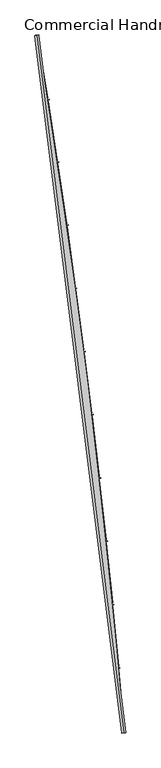
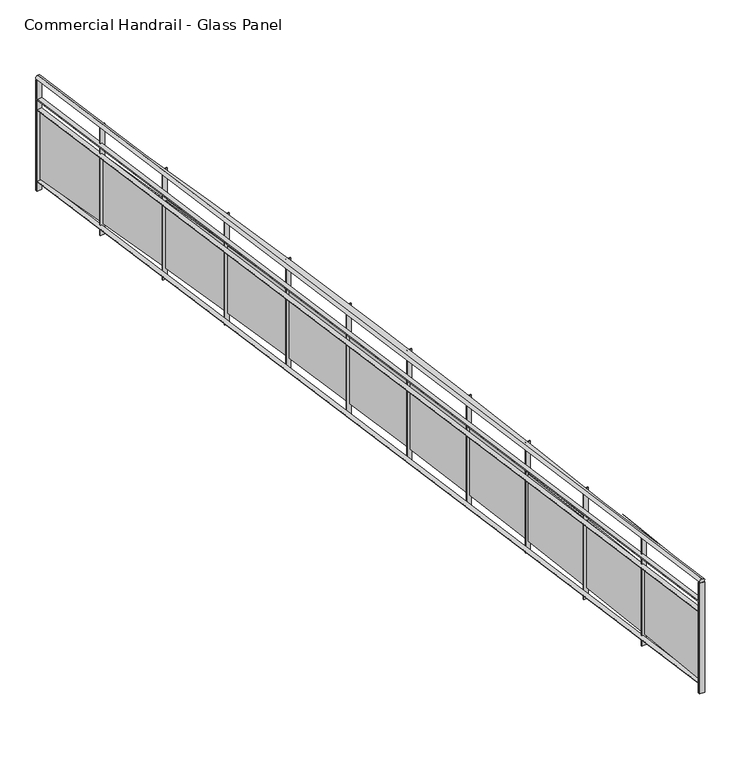
"""IFC4 building model written with IfcOpenShell, lengths in millimetres: railing geometry, Commercial Handrail - Glass Panel."""

from ifc_helpers import new_model, si_unit, point, frame, origin, place, context, project, spatial, polyline, circle_curve, ellipse_curve, trimmed, outline, extrude, source, transform, mapped, element, save
from ifc_brep_helpers import plane_surface, cylinder_surface, revolved_surface, advanced_brep


def commercial_handrail_glass_panel_2b7e91e8(model_context):
    return source(origin(), model_context, "Body", "SolidModel", [
        advanced_brep(
        [(155415.1518736, -49813.1101198, 26482.5), (156507.3198577, -58575.9102119, 26482.5), (156507.3198577, -58575.9102119, 26517.5), (155415.1518736, -49813.1101198, 26517.5)],
        [
            (0, 1, circle_curve(frame((49774.785812, -67429.2570352, 26482.5), z_axis=(0.0, 0.0, -1.0), x_axis=(0.9965773914870409, 0.08266500333808188, 0.0)), 107099.0923108)),
            (1, 2, ellipse_curve(frame((156507.3198577, -58575.9102119, 26500.0), z_axis=(-0.08266500333808835, 0.9965773914870406, 0.0), x_axis=(0.9965773914870404, 0.08266500333808834, 0.0)), 25.0, 17.5)),
            (2, 3, circle_curve(frame((49774.785812, -67429.2570352, 26517.5), z_axis=(0.0, 0.0, 1.0), x_axis=(0.9965773914870409, 0.08266500333808188, 0.0)), 107099.0923108)),
            (3, 0, ellipse_curve(frame((155415.1518736, -49813.1101198, 26500.0), z_axis=(0.1644845585089198, -0.9863796581500077, 0.0), x_axis=(0.9863796581500075, 0.16448455850891977, 0.0)), 25.0, 17.5)),
            (2, 1, ellipse_curve(frame((156507.3198577, -58575.9102119, 26500.0), z_axis=(-0.08266500333808835, 0.9965773914870406, 0.0), x_axis=(0.9965773914870404, 0.08266500333808834, 0.0)), 25.0, 17.5)),
            (0, 3, ellipse_curve(frame((155415.1518736, -49813.1101198, 26500.0), z_axis=(0.1644845585089198, -0.9863796581500077, 0.0), x_axis=(0.9863796581500075, 0.16448455850891977, 0.0)), 25.0, 17.5)),
        ],
        [
            revolved_surface(trimmed(ellipse_curve(frame((156507.3198577, -58575.9102119, 26500.0), z_axis=(0.08266500333808188, -0.9965773914870409, 0.0), x_axis=(0.0, 0.0, -1.0)), 17.5, 25.0), [point((156507.3198577, -58575.9102119, 26517.5))], [point((156507.3198577, -58575.9102119, 26482.5))], True, "CARTESIAN"), (49774.785812, -67429.2570352, 26500.0), (0.0, 0.0, 1.0)),
            revolved_surface(trimmed(ellipse_curve(frame((156507.3198577, -58575.9102119, 26500.0), z_axis=(0.08266500333808188, -0.9965773914870409, 0.0), x_axis=(0.0, 0.0, -1.0)), 17.5, 25.0), [point((156507.3198577, -58575.9102119, 26482.5))], [point((156507.3198577, -58575.9102119, 26517.5))], True, "CARTESIAN"), (49774.785812, -67429.2570352, 26500.0), (0.0, 0.0, 1.0)),
            plane_surface(frame((156507.3198577, -58575.9102119, 26500.0), z_axis=(0.08266500333808188, -0.9965773914870409, 0.0), x_axis=(0.9965773914870409, 0.08266500333808188, 0.0))),
            plane_surface(frame((155415.1518736, -49813.1101198, 26500.0), z_axis=(-0.16448455850891983, 0.9863796581500076, 0.0), x_axis=(0.9863796581500076, 0.16448455850891983, 0.0))),
        ],
        [
            (0, [[1, 2, 3, 4]]),
            (1, [[-3, 5, -1, 6]]),
            (2, [[-2, -5]]),
            (3, [[-6, -4]]),
        ],
    ),
        advanced_brep(
        [(155392.9583313, -49816.8110224, 26300.0), (156484.8968663, -58577.7701744, 26300.0), (156529.742849, -58574.0502493, 26300.0), (155437.3454159, -49809.4092172, 26300.0), (155392.9583313, -49816.8110224, 26294.0), (156484.8968663, -58577.7701744, 26294.0), (155437.3454159, -49809.4092172, 26294.0), (156529.742849, -58574.0502493, 26294.0)],
        [
            (0, 1, circle_curve(frame((49774.785812, -67429.2570352, 26300.0), z_axis=(0.0, 0.0, -1.0), x_axis=(0.9965773914870409, 0.08266500333808188, 0.0)), 107076.5923108)),
            (1, 2),
            (2, 3, circle_curve(frame((49774.785812, -67429.2570352, 26300.0), z_axis=(0.0, 0.0, 1.0), x_axis=(0.9965773914870409, 0.08266500333808188, 0.0)), 107121.5923108)),
            (3, 0),
            (4, 5, circle_curve(frame((49774.785812, -67429.2570352, 26294.0), z_axis=(0.0, 0.0, -1.0), x_axis=(0.9965773914870409, 0.08266500333808188, 0.0)), 107076.5923108)),
            (5, 1),
            (0, 4),
            (6, 7, circle_curve(frame((49774.785812, -67429.2570352, 26294.0), z_axis=(0.0, 0.0, -1.0), x_axis=(0.9965773914870409, 0.08266500333808188, 0.0)), 107121.5923108)),
            (7, 5),
            (4, 6),
            (2, 7),
            (6, 3),
        ],
        [
            plane_surface(frame((49774.785812, -67429.2570352, 26300.0), z_axis=(0.0, 0.0, 1.0), x_axis=(0.9965773914870409, 0.08266500333808188, 0.0))),
            revolved_surface(polyline([(156484.89686641842, -58577.77017439729, 26300.0), (156484.89686641842, -58577.77017439729, 26294.0)]), (49774.785812, -67429.2570352, 26300.0), (0.0, 0.0, 1.0)),
            plane_surface(frame((49774.785812, -67429.2570352, 26294.0), z_axis=(0.0, 0.0, -1.0), x_axis=(0.9965773914870409, 0.08266500333808188, 0.0))),
            cylinder_surface(frame((49774.785812, -67429.2570352, 26300.0), z_axis=(0.0, 0.0, 1.0), x_axis=(0.9965773914870409, 0.08266500333808188, 0.0)), 107121.5923108),
            plane_surface(frame((156507.3198577, -58575.9102119, 26300.0), z_axis=(0.08266500333808188, -0.9965773914870409, 0.0), x_axis=(0.9965773914870409, 0.08266500333808188, 0.0))),
            plane_surface(frame((155415.1518736, -49813.1101198, 26300.0), z_axis=(-0.16448455850891983, 0.9863796581500076, 0.0), x_axis=(0.9863796581500076, 0.16448455850891983, 0.0))),
        ],
        [
            (0, [[1, 2, 3, 4]]),
            (1, [[5, 6, -1, 7]]),
            (2, [[8, 9, -5, 10]]),
            (3, [[-3, 11, -8, 12]]),
            (4, [[-2, -6, -9, -11]]),
            (5, [[-12, -10, -7, -4]]),
        ],
    ),
        advanced_brep(
        [(155392.9583313, -49816.8110224, 26200.0), (156484.8968663, -58577.7701744, 26200.0), (156529.742849, -58574.0502493, 26200.0), (155437.3454159, -49809.4092172, 26200.0), (155392.9583313, -49816.8110224, 26194.0), (156484.8968663, -58577.7701744, 26194.0), (155437.3454159, -49809.4092172, 26194.0), (156529.742849, -58574.0502493, 26194.0)],
        [
            (0, 1, circle_curve(frame((49774.785812, -67429.2570352, 26200.0), z_axis=(0.0, 0.0, -1.0), x_axis=(0.9965773914870409, 0.08266500333808188, 0.0)), 107076.5923108)),
            (1, 2),
            (2, 3, circle_curve(frame((49774.785812, -67429.2570352, 26200.0), z_axis=(0.0, 0.0, 1.0), x_axis=(0.9965773914870409, 0.08266500333808188, 0.0)), 107121.5923108)),
            (3, 0),
            (4, 5, circle_curve(frame((49774.785812, -67429.2570352, 26194.0), z_axis=(0.0, 0.0, -1.0), x_axis=(0.9965773914870409, 0.08266500333808188, 0.0)), 107076.5923108)),
            (5, 1),
            (0, 4),
            (6, 7, circle_curve(frame((49774.785812, -67429.2570352, 26194.0), z_axis=(0.0, 0.0, -1.0), x_axis=(0.9965773914870409, 0.08266500333808188, 0.0)), 107121.5923108)),
            (7, 5),
            (4, 6),
            (2, 7),
            (6, 3),
        ],
        [
            plane_surface(frame((49774.785812, -67429.2570352, 26200.0), z_axis=(0.0, 0.0, 1.0), x_axis=(0.9965773914870409, 0.08266500333808188, 0.0))),
            revolved_surface(polyline([(156484.89686641842, -58577.77017439729, 26200.0), (156484.89686641842, -58577.77017439729, 26194.0)]), (49774.785812, -67429.2570352, 26200.0), (0.0, 0.0, 1.0)),
            plane_surface(frame((49774.785812, -67429.2570352, 26194.0), z_axis=(0.0, 0.0, -1.0), x_axis=(0.9965773914870409, 0.08266500333808188, 0.0))),
            cylinder_surface(frame((49774.785812, -67429.2570352, 26200.0), z_axis=(0.0, 0.0, 1.0), x_axis=(0.9965773914870409, 0.08266500333808188, 0.0)), 107121.5923108),
            plane_surface(frame((156507.3198577, -58575.9102119, 26200.0), z_axis=(0.08266500333808188, -0.9965773914870409, 0.0), x_axis=(0.9965773914870409, 0.08266500333808188, 0.0))),
            plane_surface(frame((155415.1518736, -49813.1101198, 26200.0), z_axis=(-0.16448455850891983, 0.9863796581500076, 0.0), x_axis=(0.9863796581500076, 0.16448455850891983, 0.0))),
        ],
        [
            (0, [[1, 2, 3, 4]]),
            (1, [[5, 6, -1, 7]]),
            (2, [[8, 9, -5, 10]]),
            (3, [[-3, 11, -8, 12]]),
            (4, [[-2, -6, -9, -11]]),
            (5, [[-12, -10, -7, -4]]),
        ],
    ),
        advanced_brep(
        [(155392.9583313, -49816.8110224, 25500.0), (156484.8968663, -58577.7701744, 25500.0), (156529.742849, -58574.0502493, 25500.0), (155437.3454159, -49809.4092172, 25500.0), (155392.9583313, -49816.8110224, 25494.0), (156484.8968663, -58577.7701744, 25494.0), (155437.3454159, -49809.4092172, 25494.0), (156529.742849, -58574.0502493, 25494.0)],
        [
            (0, 1, circle_curve(frame((49774.785812, -67429.2570352, 25500.0), z_axis=(0.0, 0.0, -1.0), x_axis=(0.9965773914870409, 0.08266500333808188, 0.0)), 107076.5923108)),
            (1, 2),
            (2, 3, circle_curve(frame((49774.785812, -67429.2570352, 25500.0), z_axis=(0.0, 0.0, 1.0), x_axis=(0.9965773914870409, 0.08266500333808188, 0.0)), 107121.5923108)),
            (3, 0),
            (4, 5, circle_curve(frame((49774.785812, -67429.2570352, 25494.0), z_axis=(0.0, 0.0, -1.0), x_axis=(0.9965773914870409, 0.08266500333808188, 0.0)), 107076.5923108)),
            (5, 1),
            (0, 4),
            (6, 7, circle_curve(frame((49774.785812, -67429.2570352, 25494.0), z_axis=(0.0, 0.0, -1.0), x_axis=(0.9965773914870409, 0.08266500333808188, 0.0)), 107121.5923108)),
            (7, 5),
            (4, 6),
            (2, 7),
            (6, 3),
        ],
        [
            plane_surface(frame((49774.785812, -67429.2570352, 25500.0), z_axis=(0.0, 0.0, 1.0), x_axis=(0.9965773914870409, 0.08266500333808188, 0.0))),
            revolved_surface(polyline([(156484.89686641842, -58577.77017439729, 25500.0), (156484.89686641842, -58577.77017439729, 25494.0)]), (49774.785812, -67429.2570352, 25500.0), (0.0, 0.0, 1.0)),
            plane_surface(frame((49774.785812, -67429.2570352, 25494.0), z_axis=(0.0, 0.0, -1.0), x_axis=(0.9965773914870409, 0.08266500333808188, 0.0))),
            cylinder_surface(frame((49774.785812, -67429.2570352, 25500.0), z_axis=(0.0, 0.0, 1.0), x_axis=(0.9965773914870409, 0.08266500333808188, 0.0)), 107121.5923108),
            plane_surface(frame((156507.3198577, -58575.9102119, 25500.0), z_axis=(0.08266500333808188, -0.9965773914870409, 0.0), x_axis=(0.9965773914870409, 0.08266500333808188, 0.0))),
            plane_surface(frame((155415.1518736, -49813.1101198, 25500.0), z_axis=(-0.16448455850891983, 0.9863796581500076, 0.0), x_axis=(0.9863796581500076, 0.16448455850891983, 0.0))),
        ],
        [
            (0, [[1, 2, 3, 4]]),
            (1, [[5, 6, -1, 7]]),
            (2, [[8, 9, -5, 10]]),
            (3, [[-3, 11, -8, 12]]),
            (4, [[-2, -6, -9, -11]]),
            (5, [[-12, -10, -7, -4]]),
        ],
    ),
        extrude(outline(polyline([(155440.5602167, -49828.6983042), (155396.1719887, -49836.0932495), (155395.185996, -49830.1748191), (155439.574224, -49822.7798738), (155440.5602167, -49828.6983042)])), frame((0.0, 0.0, 25400.0), z_axis=(0.0, 0.0, 1.0), x_axis=(1.0, 0.0, 0.0)), (0.0, 0.0, 1.0), 1082.1192282),
        extrude(outline(polyline([(155537.9927324, -50600.148842), (155415.9010924, -49850.0197655), (155427.7452357, -49848.0920027), (155549.8368757, -50598.2210792), (155537.9927324, -50600.148842)])), frame((0.0, 0.0, 25520.0), z_axis=(0.0, 0.0, 1.0), x_axis=(1.0, 0.0, 0.0)), (0.0, 0.0, 1.0), 660.0),
        extrude(outline(polyline([(155569.0823153, -50618.4755081), (155524.640088, -50625.5386825), (155523.6983314, -50619.6130522), (155568.1405587, -50612.5498778), (155569.0823153, -50618.4755081)])), frame((0.0, 0.0, 25400.0), z_axis=(0.0, 0.0, 1.0), x_axis=(1.0, 0.0, 0.0)), (0.0, 0.0, 1.0), 1082.1192282),
        extrude(outline(polyline([(155660.7496486, -51390.6323103), (155544.2646152, -50639.6121795), (155556.1228277, -50637.7729421), (155672.6078612, -51388.793073), (155660.7496486, -51390.6323103)])), frame((0.0, 0.0, 25520.0), z_axis=(0.0, 0.0, 1.0), x_axis=(1.0, 0.0, 0.0)), (0.0, 0.0, 1.0), 660.0),
        extrude(outline(polyline([(155691.7014704, -51409.1906934), (155647.2077235, -51415.921703), (155646.3102556, -51409.9892034), (155690.8040025, -51403.2581938), (155691.7014704, -51409.1906934)])), frame((0.0, 0.0, 25400.0), z_axis=(0.0, 0.0, 1.0), x_axis=(1.0, 0.0, 0.0)), (0.0, 0.0, 1.0), 1082.1192282),
        extrude(outline(polyline([(155777.5985065, -52182.0106766), (155666.7265791, -51430.1413956), (155678.5981993, -51428.3907863), (155789.4701268, -52180.2600673), (155777.5985065, -52182.0106766)])), frame((0.0, 0.0, 25520.0), z_axis=(0.0, 0.0, 1.0), x_axis=(1.0, 0.0, 0.0)), (0.0, 0.0, 1.0), 660.0),
        extrude(outline(polyline([(155808.4108402, -52200.7997412), (155763.8680564, -52207.1982104), (155763.0149272, -52201.2591725), (155807.557711, -52194.8607033), (155808.4108402, -52200.7997412)])), frame((0.0, 0.0, 25400.0), z_axis=(0.0, 0.0, 1.0), x_axis=(1.0, 0.0, 0.0)), (0.0, 0.0, 1.0), 1082.1192282),
        extrude(outline(polyline([(155888.5327865, -52974.2397848), (155783.2801513, -52221.5633053), (155795.1645168, -52219.9014216), (155900.4171519, -52972.5779011), (155888.5327865, -52974.2397848)])), frame((0.0, 0.0, 25520.0), z_axis=(0.0, 0.0, 1.0), x_axis=(1.0, 0.0, 0.0)), (0.0, 0.0, 1.0), 660.0),
        extrude(outline(polyline([(155919.2039129, -52993.2584824), (155874.6145774, -52999.3240542), (155873.8058345, -52993.3788094), (155918.39517, -52987.3132377), (155919.2039129, -52993.2584824)])), frame((0.0, 0.0, 25400.0), z_axis=(0.0, 0.0, 1.0), x_axis=(1.0, 0.0, 0.0)), (0.0, 0.0, 1.0), 1082.1192282),
        extrude(outline(polyline([(155993.5462987, -53767.2754312), (155893.9188285, -53013.8337498), (155905.8152761, -53012.2606845), (156005.4427463, -53765.7023659), (155993.5462987, -53767.2754312)])), frame((0.0, 0.0, 25520.0), z_axis=(0.0, 0.0, 1.0), x_axis=(1.0, 0.0, 0.0)), (0.0, 0.0, 1.0), 660.0),
        extrude(outline(polyline([(156024.0745064, -53786.5227008), (155979.4411072, -53792.2550367), (155978.6767957, -53786.3039168), (156023.3101949, -53780.5715809), (156024.0745064, -53786.5227008)])), frame((0.0, 0.0, 25400.0), z_axis=(0.0, 0.0, 1.0), x_axis=(1.0, 0.0, 0.0)), (0.0, 0.0, 1.0), 1082.1192282),
        extrude(outline(polyline([(156092.6331838, -54561.0733673), (155998.6364375, -53806.9085235), (156010.5443034, -53805.4243644), (156104.5410497, -54559.5892082), (156092.6331838, -54561.0733673)])), frame((0.0, 0.0, 25520.0), z_axis=(0.0, 0.0, 1.0), x_axis=(1.0, 0.0, 0.0)), (0.0, 0.0, 1.0), 660.0),
        extrude(outline(polyline([(156123.0167695, -54580.548135), (156078.3417969, -54585.9469151), (156077.6219596, -54579.9902521), (156122.2969321, -54574.591472), (156123.0167695, -54580.548135)])), frame((0.0, 0.0, 25400.0), z_axis=(0.0, 0.0, 1.0), x_axis=(1.0, 0.0, 0.0)), (0.0, 0.0, 1.0), 1082.1192282),
        extrude(outline(polyline([(156185.787913, -55355.5893021), (156097.4271353, -54600.7433755), (156109.3457552, -54599.3482053), (156197.7065329, -55354.194132), (156185.787913, -55355.5893021)])), frame((0.0, 0.0, 25520.0), z_axis=(0.0, 0.0, 1.0), x_axis=(1.0, 0.0, 0.0)), (0.0, 0.0, 1.0), 660.0),
        extrude(outline(polyline([(156216.0251814, -55375.2904812), (156171.3111282, -55380.3554043), (156170.6358051, -55374.3935306), (156215.3498583, -55369.3286074), (156216.0251814, -55375.2904812)])), frame((0.0, 0.0, 25400.0), z_axis=(0.0, 0.0, 1.0), x_axis=(1.0, 0.0, 0.0)), (0.0, 0.0, 1.0), 1082.1192282),
        extrude(outline(polyline([(156273.0052888, -56150.7789044), (156190.2854098, -55395.2940127), (156202.2141186, -55393.9879094), (156284.9339976, -56149.4728011), (156273.0052888, -56150.7789044)])), frame((0.0, 0.0, 25520.0), z_axis=(0.0, 0.0, 1.0), x_axis=(1.0, 0.0, 0.0)), (0.0, 0.0, 1.0), 660.0),
        extrude(outline(polyline([(156303.0945527, -56170.7053956), (156258.3439138, -56175.4361792), (156257.7131426, -56169.4694274), (156302.4637816, -56164.7386437), (156303.0945527, -56170.7053956)])), frame((0.0, 0.0, 25400.0), z_axis=(0.0, 0.0, 1.0), x_axis=(1.0, 0.0, 0.0)), (0.0, 0.0, 1.0), 1082.1192282),
        extrude(outline(polyline([(156354.2804446, -56946.5978055), (156277.2060799, -56190.5161021), (156289.144212, -56189.2991384), (156366.2185768, -56945.3808418), (156354.2804446, -56946.5978055)])), frame((0.0, 0.0, 25520.0), z_axis=(0.0, 0.0, 1.0), x_axis=(1.0, 0.0, 0.0)), (0.0, 0.0, 1.0), 660.0),
        extrude(outline(polyline([(156384.2200253, -56966.748497), (156339.4352975, -56971.1448771), (156338.8491135, -56965.17358), (156383.6338412, -56960.7771999), (156384.2200253, -56966.748497)])), frame((0.0, 0.0, 25400.0), z_axis=(0.0, 0.0, 1.0), x_axis=(1.0, 0.0, 0.0)), (0.0, 0.0, 1.0), 1082.1192282),
        extrude(outline(polyline([(156429.6088457, -57743.0016015), (156358.1842956, -56986.3652729), (156370.131185, -56985.2375169), (156441.5557351, -57741.8738454), (156429.6088457, -57743.0016015)])), frame((0.0, 0.0, 25520.0), z_axis=(0.0, 0.0, 1.0), x_axis=(1.0, 0.0, 0.0)), (0.0, 0.0, 1.0), 660.0),
        extrude(outline(polyline([(156459.3970725, -57763.3753689), (156414.5807547, -57767.4371002), (156414.0391905, -57761.4615912), (156458.8555083, -57757.3998599), (156459.3970725, -57763.3753689)])), frame((0.0, 0.0, 25400.0), z_axis=(0.0, 0.0, 1.0), x_axis=(1.0, 0.0, 0.0)), (0.0, 0.0, 1.0), 1082.1192282),
        extrude(outline(polyline([(156498.9862889, -58539.9458559), (156433.2155387, -57782.7971199), (156445.1705188, -57781.7586343), (156510.9412689, -58538.9073703), (156498.9862889, -58539.9458559)])), frame((0.0, 0.0, 25520.0), z_axis=(0.0, 0.0, 1.0), x_axis=(1.0, 0.0, 0.0)), (0.0, 0.0, 1.0), 660.0),
        extrude(outline(polyline([(156528.6214998, -58560.5415625), (156483.7760926, -58564.2684183), (156483.2791785, -58558.2890307), (156528.1245856, -58554.5621749), (156528.6214998, -58560.5415625)])), frame((0.0, 0.0, 25400.0), z_axis=(0.0, 0.0, 1.0), x_axis=(1.0, 0.0, 0.0)), (0.0, 0.0, 1.0), 1082.1192282),
        extrude(outline(polyline([(155437.8388696, -49812.3683562), (155393.451785, -49819.7701613), (155392.4648776, -49813.8518834), (155436.8519623, -49806.4500783), (155437.8388696, -49812.3683562)])), frame((0.0, 0.0, 25400.0), z_axis=(0.0, 0.0, 1.0), x_axis=(1.0, 0.0, 0.0)), (0.0, 0.0, 1.0), 1082.1192282),
        extrude(outline(polyline([(156529.990844, -58577.0399815), (156485.1448614, -58580.7599066), (156484.6488713, -58574.7804423), (156529.494854, -58571.0605171), (156529.990844, -58577.0399815)])), frame((0.0, 0.0, 25400.0), z_axis=(0.0, 0.0, 1.0), x_axis=(1.0, 0.0, 0.0)), (0.0, 0.0, 1.0), 1082.1192282),
    ])


if __name__ == "__main__":
    model = new_model("IFC4")
    model_context = context("Model", 3, world=origin())
    ifc_project = project(units=[si_unit("LENGTHUNIT", "METRE", prefix="MILLI")], contexts=[model_context])
    site = spatial("IfcSite", under=ifc_project)
    building = spatial("IfcBuilding", under=site)
    placement = place(None, origin())
    commercial_handrail_glass_panel_shape = commercial_handrail_glass_panel_2b7e91e8(model_context)
    element("IfcRailing", 1, ObjectType="Commercial Handrail - Glass Panel", at=placement, inside=building, context=model_context, shape_type="MappedRepresentation", body=[
        mapped(commercial_handrail_glass_panel_shape, transform((0.0, 0.0, 0.0), x_axis=(1.0, 0.0, 0.0), y_axis=(0.0, 1.0, 0.0), z_axis=(0.0, 0.0, 1.0))),
    ])
    save(model, "model.ifc")
